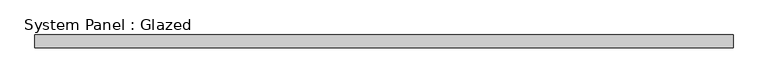
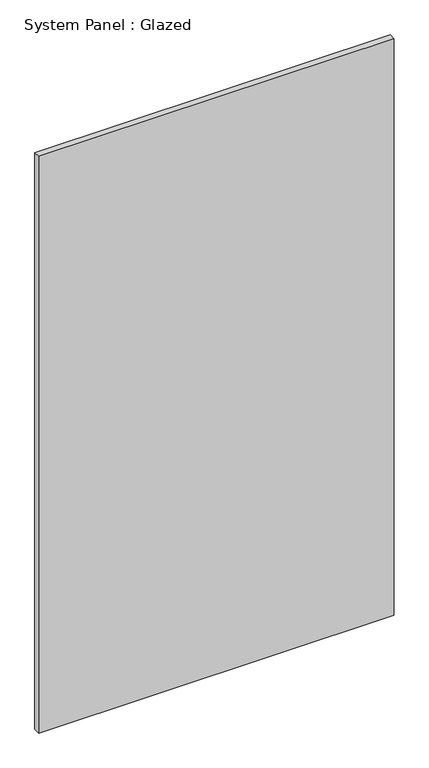
"""IFC4 building model written with IfcOpenShell, lengths in millimetres: plate geometry, System Panel : Glazed."""

from ifc_helpers import new_model, si_unit, origin, origin_with_axes, place, context, project, spatial, polyline, outline, extrude, source, transform, mapped, element, save


def system_panel_glazed_91890948(model_context):
    return source(origin(), model_context, "Body", "SweptSolid", [
        extrude(outline(polyline([(678.3333333, 24.5), (-678.3333333, 24.5), (-678.3333333, 49.5), (678.3333333, 49.5), (678.3333333, 24.5)])), origin_with_axes(), (0.0, 0.0, 1.0), 2325.0),
    ])


if __name__ == "__main__":
    model = new_model("IFC4")
    model_context = context("Model", 3, world=origin())
    ifc_project = project(units=[si_unit("LENGTHUNIT", "METRE", prefix="MILLI")], contexts=[model_context])
    site = spatial("IfcSite", under=ifc_project)
    building = spatial("IfcBuilding", under=site)
    placement = place(None, origin())
    system_panel_glazed_shape = system_panel_glazed_91890948(model_context)
    element("IfcPlate", 1, ObjectType="System Panel : Glazed", at=placement, inside=building, context=model_context, shape_type="MappedRepresentation", body=[
        mapped(system_panel_glazed_shape, transform((0.0, 0.0, 0.0), x_axis=(1.0, 0.0, 0.0), y_axis=(0.0, 1.0, 0.0), z_axis=(0.0, 0.0, 1.0))),
    ])
    save(model, "model.ifc")
